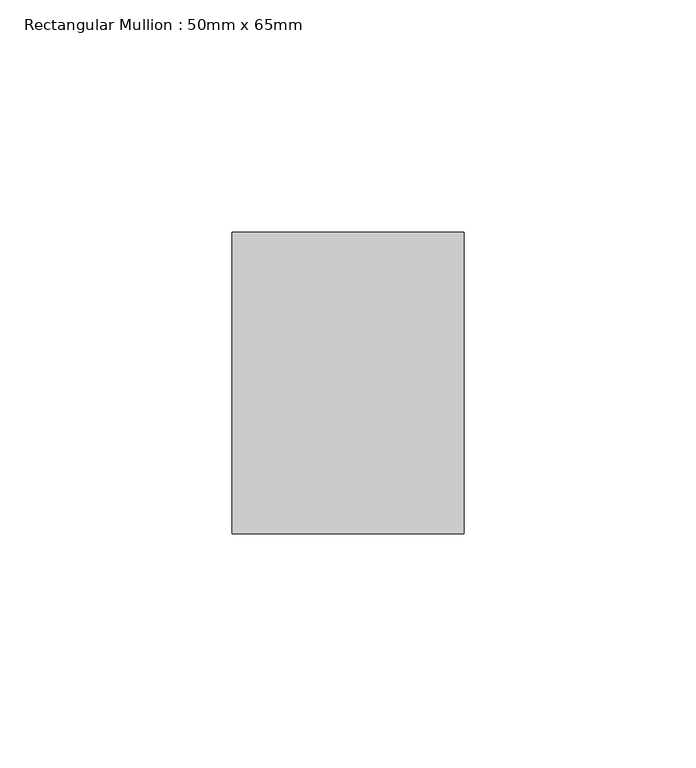
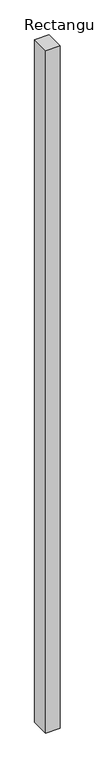
"""IFC4 building model written with IfcOpenShell, lengths in millimetres: member geometry, Rectangular Mullion : 50mm x 65mm."""

from ifc_helpers import new_model, si_unit, frame, origin, place, context, project, spatial, polyline, outline, extrude, source, transform, mapped, element, save


def rectangular_mullion_50mm_x_65mm_c4469817(model_context):
    return source(origin(), model_context, "Body", "SweptSolid", [
        extrude(outline(polyline([(25.0, 32.5), (25.0, -32.5), (-25.0, -32.5), (-25.0, 32.5), (25.0, 32.5)])), frame((0.0, 0.0, -2478.026288), z_axis=(0.0, 0.0, 1.0), x_axis=(1.0, 0.0, 0.0)), (0.0, 0.0, 1.0), 2478.026288),
    ])


if __name__ == "__main__":
    model = new_model("IFC4")
    model_context = context("Model", 3, world=origin())
    ifc_project = project(units=[si_unit("LENGTHUNIT", "METRE", prefix="MILLI")], contexts=[model_context])
    site = spatial("IfcSite", under=ifc_project)
    building = spatial("IfcBuilding", under=site)
    placement = place(None, origin())
    rectangular_mullion_50mm_x_65mm_shape = rectangular_mullion_50mm_x_65mm_c4469817(model_context)
    element("IfcMember", 1, ObjectType="Rectangular Mullion : 50mm x 65mm", at=placement, inside=building, context=model_context, shape_type="MappedRepresentation", body=[
        mapped(rectangular_mullion_50mm_x_65mm_shape, transform((0.0, 0.0, 0.0), x_axis=(1.0, 0.0, 0.0), y_axis=(0.0, 1.0, 0.0), z_axis=(0.0, 0.0, 1.0))),
    ])
    save(model, "model.ifc")
